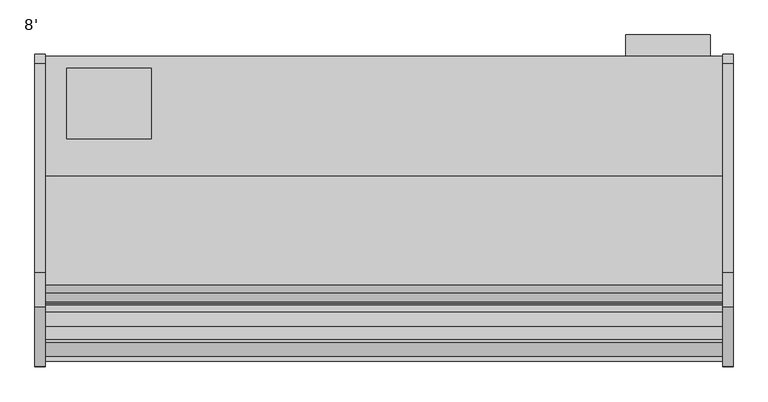
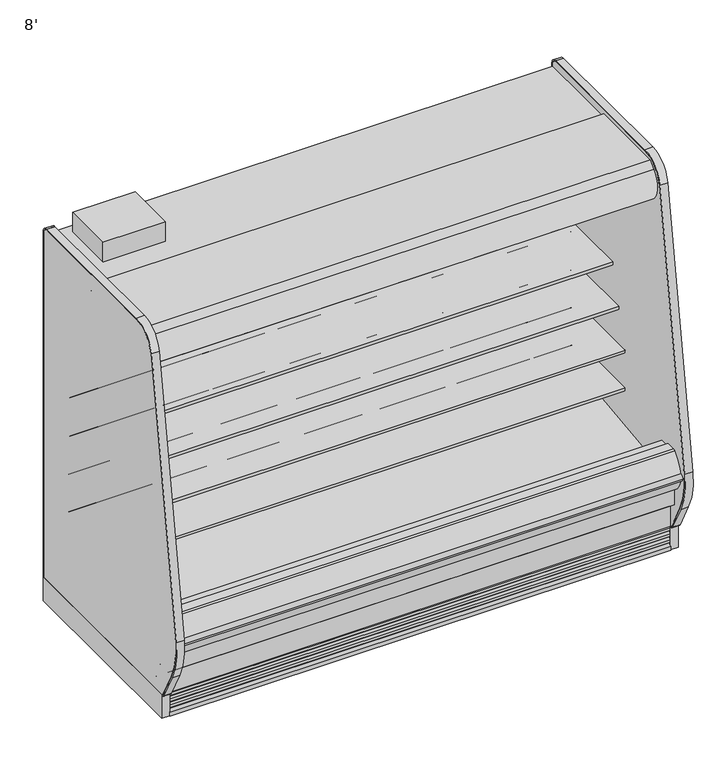
"""IFC4 building model written with IfcOpenShell, lengths in millimetres: proxy geometry, 8'."""

from ifc_helpers import new_model, si_unit, point, frame, frame_2d, origin, origin_with_axes, place, context, project, spatial, polyline, circle_curve, trimmed, segment, composite_curve, outline, extrude, faceted_brep, source, transform, mapped, element, save
from ifc_brep_helpers import plane_surface, revolved_surface, advanced_brep


def proxy_8_c5d549a8(model_context):
    return source(origin(), model_context, "Body", "SolidModel", [
        extrude(outline(polyline([(2393.6493176, -325.3089273), (2393.6493176, -401.5089273), (2089.1920708, -401.5089273), (2089.1920708, -325.3089273), (2393.6493176, -325.3089273)])), frame((0.0, 0.0, 249.9360001), z_axis=(0.0, 0.0, 1.0), x_axis=(1.0, 0.0, 0.0)), (0.0, 0.0, 1.0), 1473.2),
        extrude(outline(polyline([(381.0, -445.9589273), (381.0, -699.9589273), (76.2, -699.9589273), (76.2, -445.9589273), (381.0, -445.9589273)])), frame((0.0, 0.0, 1887.6264001), z_axis=(0.0, 0.0, 1.0), x_axis=(1.0, 0.0, 0.0)), (0.0, 0.0, 1.0), 101.6),
        extrude(outline(composite_curve([segment(trimmed(circle_curve(frame_2d((2190.7390223, -1128.5839273)), 9.525), [point((2181.2140223, -1128.5839273))], [point((2200.2640223, -1128.5839273))], False, "CARTESIAN"), True, "CONTINUOUS"), segment(trimmed(circle_curve(frame_2d((2190.7390223, -1128.5839273)), 9.525), [point((2200.2640223, -1128.5839273))], [point((2181.2140223, -1128.5839273))], False, "CARTESIAN"), True, "CONTINUOUS")], self_intersect=False)), frame((0.0, 0.0, 66.7090149), z_axis=(0.0, 0.0, 1.0), x_axis=(1.0, 0.0, 0.0)), (0.0, 0.0, 1.0), 57.1159851),
        extrude(outline(composite_curve([segment(trimmed(circle_curve(frame_2d((2241.5609777, -1128.5839273)), 12.7), [point((2228.8609777, -1128.5839273))], [point((2254.2609777, -1128.5839273))], False, "CARTESIAN"), True, "CONTINUOUS"), segment(trimmed(circle_curve(frame_2d((2241.5609777, -1128.5839273)), 12.7), [point((2254.2609777, -1128.5839273))], [point((2228.8609777, -1128.5839273))], False, "CARTESIAN"), True, "CONTINUOUS")], self_intersect=False)), frame((0.0, 0.0, 66.7090149), z_axis=(0.0, 0.0, 1.0), x_axis=(1.0, 0.0, 0.0)), (0.0, 0.0, 1.0), 57.1159851),
        extrude(outline(polyline([(-755.1545651, 1783.4415628), (-755.1545651, 1781.6658555), (-767.0608151, 1781.6658555), (-802.7795651, 1757.8533555), (-802.7795651, 1781.6658555), (-823.4170651, 1781.6658555), (-823.4170651, 1723.0879735), (-820.1404345, 1706.9586386), (-821.6961576, 1706.6425977), (-825.0045651, 1722.9283555), (-825.0045651, 1783.4415628), (-755.1545651, 1783.4415628)])), frame((0.0, 0.0, 0.0), z_axis=(1.0, 0.0, 0.0), x_axis=(0.0, 1.0, 0.0)), (0.0, 0.0, 1.0), 2438.4),
        extrude(outline(composite_curve([segment(trimmed(circle_curve(frame_2d((-775.117495, 1753.94528)), 14.2875), [point((-789.404995, 1753.94528))], [point((-760.829995, 1753.94528))], False, "CARTESIAN"), True, "CONTINUOUS"), segment(trimmed(circle_curve(frame_2d((-775.117495, 1753.94528)), 14.2875), [point((-760.829995, 1753.94528))], [point((-789.404995, 1753.94528))], False, "CARTESIAN"), True, "CONTINUOUS")], self_intersect=False)), frame((0.0, 0.0, 0.0), z_axis=(1.0, 0.0, 0.0), x_axis=(0.0, 1.0, 0.0)), (0.0, 0.0, 1.0), 2438.4),
        extrude(outline(composite_curve([segment(polyline([(-504.9331995, 1188.9777893), (-504.9331995, 1113.876763), (-528.313746, 1113.876763)]), True, "CONTINUOUS"), segment(trimmed(circle_curve(frame_2d((-528.7455821, 1139.2730918)), 25.4), [point((-528.313746, 1113.876763))], [point((-544.7229383, 1119.5276091))], False, "CARTESIAN"), True, "CONTINUOUS"), segment(polyline([(-544.7229383, 1119.5276091), (-562.5749995, 1133.9728746)]), True, "CONTINUOUS"), segment(trimmed(circle_curve(frame_2d((-602.5183901, 1084.6091679)), 63.5), [point((-562.5749995, 1133.9728746))], [point((-594.6205089, 1147.6160998))], True, "CARTESIAN"), True, "CONTINUOUS"), segment(polyline([(-594.6205089, 1147.6160998), (-869.1842482, 1171.3132372), (-870.6730247, 1174.7537893), (-911.2738035, 1174.7537893), (-911.2738035, 1188.9777893), (-504.9331995, 1188.9777893)]), True, "CONTINUOUS")], self_intersect=False)), frame((0.0, 0.0, 0.0), z_axis=(1.0, 0.0, 0.0), x_axis=(0.0, 1.0, 0.0)), (0.0, 0.0, 1.0), 2438.4),
        extrude(outline(composite_curve([segment(polyline([(-504.9331995, 990.7659479), (-504.9331995, 915.6649215), (-528.313746, 915.6649215)]), True, "CONTINUOUS"), segment(trimmed(circle_curve(frame_2d((-528.7455821, 941.0612503)), 25.4), [point((-528.313746, 915.6649215))], [point((-544.7229383, 921.3157676))], False, "CARTESIAN"), True, "CONTINUOUS"), segment(polyline([(-544.7229383, 921.3157676), (-562.5749995, 935.7610332)]), True, "CONTINUOUS"), segment(trimmed(circle_curve(frame_2d((-602.5183901, 886.3973264)), 63.5), [point((-562.5749995, 935.7610332))], [point((-594.6205089, 949.4042583))], True, "CARTESIAN"), True, "CONTINUOUS"), segment(polyline([(-594.6205089, 949.4042583), (-869.1842482, 973.1013958), (-870.6730247, 976.5419479), (-962.1331995, 976.5419479), (-962.1331995, 990.7659479), (-504.9331995, 990.7659479)]), True, "CONTINUOUS")], self_intersect=False)), frame((0.0, 0.0, 0.0), z_axis=(1.0, 0.0, 0.0), x_axis=(0.0, 1.0, 0.0)), (0.0, 0.0, 1.0), 2438.4),
        extrude(outline(composite_curve([segment(trimmed(circle_curve(frame_2d((-1161.4667676, 1760.0428978)), 14.2875), [point((-1175.7542676, 1760.0428978))], [point((-1147.1792676, 1760.0428978))], False, "CARTESIAN"), True, "CONTINUOUS"), segment(trimmed(circle_curve(frame_2d((-1161.4667676, 1760.0428978)), 14.2875), [point((-1147.1792676, 1760.0428978))], [point((-1175.7542676, 1760.0428978))], False, "CARTESIAN"), True, "CONTINUOUS")], self_intersect=False)), frame((0.0, 0.0, 0.0), z_axis=(1.0, 0.0, 0.0), x_axis=(0.0, 1.0, 0.0)), (0.0, 0.0, 1.0), 2438.4),
        extrude(outline(composite_curve([segment(trimmed(circle_curve(frame_2d((-1206.5480128, 1760.5691153)), 14.2875), [point((-1220.8355128, 1760.5691153))], [point((-1192.2605128, 1760.5691153))], False, "CARTESIAN"), True, "CONTINUOUS"), segment(trimmed(circle_curve(frame_2d((-1206.5480128, 1760.5691153)), 14.2875), [point((-1192.2605128, 1760.5691153))], [point((-1220.8355128, 1760.5691153))], False, "CARTESIAN"), True, "CONTINUOUS")], self_intersect=False)), frame((0.0, 0.0, 0.0), z_axis=(1.0, 0.0, 0.0), x_axis=(0.0, 1.0, 0.0)), (0.0, 0.0, 1.0), 2438.4),
        extrude(outline(polyline([(744.7751963, -1346.7911816), (435.3523963, -1346.7911816), (435.3523963, -1249.5865659), (744.7751963, -1249.5865659), (744.7751963, -1346.7911816)])), frame((0.0, 0.0, 53.2186364), z_axis=(0.0, 0.0, 1.0), x_axis=(1.0, 0.0, 0.0)), (0.0, 0.0, 1.0), 9.8914),
        faceted_brep([(2438.4, -1207.9589273, 130.175), (2438.4, -1275.0830824, 130.175), (2438.4, -1376.2139578, 211.8249999), (2438.4, -1376.2139578, 10.9768116), (2438.4, -1207.9589273, 10.9768116), (0.0, -1207.9589273, 130.175), (0.0, -1207.9589273, 10.9768116), (0.0, -1376.2139578, 10.9768116), (0.0, -1376.2139578, 211.8249999), (0.0, -1275.0830824, 130.175), (744.7751963, -1346.7911816, 10.9768116), (744.7751963, -1249.5865659, 10.9768116), (435.3523963, -1249.5865659, 10.9768116), (435.3523963, -1346.7911816, 10.9768116), (744.7751963, -1346.7911816, 63.1100364), (435.3523963, -1346.7911816, 63.1100364), (435.3523963, -1249.5865659, 63.1100364), (744.7751963, -1249.5865659, 63.1100364)], [[[0, 1, 2, 3, 4]], [[5, 6, 7, 8, 9]], [[1, 0, 5, 9]], [[2, 1, 9, 8]], [[3, 2, 8, 7]], [[4, 3, 7, 6], [10, 11, 12, 13]], [[0, 4, 6, 5]], [[14, 15, 16, 17]], [[14, 17, 11, 10]], [[17, 16, 12, 11]], [[16, 15, 13, 12]], [[15, 14, 10, 13]]]),
        extrude(outline(composite_curve([segment(trimmed(circle_curve(frame_2d((368.3, 2358.8090336)), 12.7), [point((368.3, 2371.5090336))], [point((368.3, 2346.1090336))], False, "CARTESIAN"), True, "CONTINUOUS"), segment(trimmed(circle_curve(frame_2d((368.3, 2358.8090336)), 12.7), [point((368.3, 2346.1090336))], [point((368.3, 2371.5090336))], False, "CARTESIAN"), True, "CONTINUOUS")], self_intersect=False)), frame((0.0, -447.5561252, 0.0), z_axis=(0.0, 1.0, 0.0), x_axis=(0.0, 0.0, 1.0)), (0.0, 0.0, 1.0), 52.3971979),
        extrude(outline(composite_curve([segment(trimmed(circle_curve(frame_2d((368.3, 2320.3972115)), 9.525), [point((368.3, 2329.9222115))], [point((368.3, 2310.8722115))], False, "CARTESIAN"), True, "CONTINUOUS"), segment(trimmed(circle_curve(frame_2d((368.3, 2320.3972115)), 9.525), [point((368.3, 2310.8722115))], [point((368.3, 2329.9222115))], False, "CARTESIAN"), True, "CONTINUOUS")], self_intersect=False)), frame((0.0, -447.5561252, 0.0), z_axis=(0.0, 1.0, 0.0), x_axis=(0.0, 0.0, 1.0)), (0.0, 0.0, 1.0), 52.3971979),
        extrude(outline(composite_curve([segment(polyline([(-451.7851762, 1837.4360001), (-451.7851762, 404.745884), (-504.9331995, 404.745884), (-504.9331995, 1758.0415628)]), True, "CONTINUOUS"), segment(trimmed(circle_curve(frame_2d((-530.3331995, 1758.0415628)), 25.4), [point((-504.9331995, 1758.0415628))], [point((-530.3331995, 1783.4415628))], True, "CARTESIAN"), True, "CONTINUOUS"), segment(polyline([(-530.3331995, 1783.4415628), (-996.5139611, 1783.4415628), (-996.5139611, 1776.8817932), (-1098.1139599, 1776.8817932), (-1098.1139599, 1837.4360001), (-451.7851762, 1837.4360001)]), True, "CONTINUOUS")], self_intersect=False)), frame((0.0, 0.0, 0.0), z_axis=(1.0, 0.0, 0.0), x_axis=(0.0, 1.0, 0.0)), (0.0, 0.0, 1.0), 2438.4),
        advanced_brep(
        [(2438.4, -1428.7889874, 391.24255), (2438.4, -1428.7889874, 254.2724833), (2438.4, -1275.0830824, 130.175), (2438.4, -401.5089273, 130.175), (2438.4, -401.5089273, 1887.6264001), (2438.4, -1139.2416873, 1887.6264001), (2438.4, -1139.2416873, 1837.4360001), (2438.4, -451.7851762, 1837.4360001), (2438.4, -451.7851762, 363.9695251), (2438.4, -599.5014929, 211.662363), (2438.4, -1043.5931205, 195.6779213), (2438.4, -1096.7050237, 157.095884), (2438.4, -1163.5210307, 157.095884), (2438.4, -1221.5656168, 189.2720563), (2438.4, -1379.2843872, 341.5792153), (2438.4, -1379.2843872, 391.24255), (0.0, -1428.7889874, 391.24255), (0.0, -1379.2843872, 391.24255), (0.0, -1379.2843872, 341.5792153), (0.0, -1221.5656168, 189.2720563), (0.0, -1163.5210307, 157.095884), (0.0, -1096.7050237, 157.095884), (0.0, -1043.5931205, 195.6779213), (0.0, -599.5014929, 211.662363), (0.0, -451.7851762, 363.9695251), (0.0, -451.7851762, 1837.4360001), (0.0, -1139.2416873, 1837.4360001), (0.0, -1139.2416873, 1887.6264001), (0.0, -401.5089273, 1887.6264001), (0.0, -401.5089273, 130.175), (0.0, -1275.0830824, 130.175), (0.0, -1428.7889874, 254.2724833), (2336.8, -401.5089273, 317.5), (2336.8, -401.5089273, 419.1), (2336.8, -447.5561252, 317.5), (2336.8, -447.5561252, 419.1)],
        [
            (0, 1),
            (1, 2),
            (2, 3),
            (3, 4),
            (4, 5),
            (5, 6),
            (6, 7),
            (7, 8),
            (8, 9, circle_curve(frame((2438.4, -605.0132276, 364.7934683), z_axis=(-1.0, 0.0, 0.0), x_axis=(0.0, 1.0, 0.0)), 153.2302667)),
            (9, 10),
            (10, 11),
            (11, 12),
            (12, 13),
            (13, 14, circle_curve(frame((2438.4, -1226.8843872, 341.5792153), z_axis=(-1.0, 0.0, 0.0), x_axis=(0.0, 1.0, 0.0)), 152.4)),
            (14, 15),
            (15, 0),
            (16, 17),
            (17, 18),
            (18, 19, circle_curve(frame((0.0, -1226.8843872, 341.5792153), z_axis=(1.0, 0.0, 0.0), x_axis=(0.0, 1.0, 0.0)), 152.4)),
            (19, 20),
            (20, 21),
            (21, 22),
            (22, 23),
            (23, 24, circle_curve(frame((0.0, -605.0132276, 364.7934683), z_axis=(1.0, 0.0, 0.0), x_axis=(0.0, 1.0, 0.0)), 153.2302667)),
            (24, 25),
            (25, 26),
            (26, 27),
            (27, 28),
            (28, 29),
            (29, 30),
            (30, 31),
            (31, 16),
            (0, 16),
            (31, 1),
            (30, 2),
            (29, 3),
            (28, 4),
            (32, 33, circle_curve(frame((2336.8, -401.5089273, 368.3), z_axis=(0.0, -1.0, 0.0), x_axis=(0.0, 0.0, 1.0)), 50.8)),
            (33, 32, circle_curve(frame((2336.8, -401.5089273, 368.3), z_axis=(0.0, -1.0, 0.0), x_axis=(0.0, 0.0, 1.0)), 50.8)),
            (27, 5),
            (26, 6),
            (25, 7),
            (24, 8),
            (23, 9),
            (22, 10),
            (21, 11),
            (20, 12),
            (19, 13),
            (18, 14),
            (17, 15),
            (34, 35, circle_curve(frame((2336.8, -447.5561252, 368.3), z_axis=(0.0, 1.0, 0.0), x_axis=(0.0, 0.0, 1.0)), 50.8)),
            (35, 34, circle_curve(frame((2336.8, -447.5561252, 368.3), z_axis=(0.0, 1.0, 0.0), x_axis=(0.0, 0.0, 1.0)), 50.8)),
            (35, 33),
            (32, 34),
        ],
        [
            plane_surface(frame((2438.4, -1428.7889874, 254.2724833), z_axis=(1.0, 0.0, 0.0), x_axis=(0.0, 0.0, -1.0))),
            plane_surface(frame((0.0, -1428.7889874, 254.2724833), z_axis=(-1.0, 0.0, 0.0), x_axis=(0.0, 0.0, 1.0))),
            plane_surface(frame((2438.4, -1428.7889874, 391.24255), z_axis=(0.0, -1.0, 0.0), x_axis=(-1.0, 0.0, 0.0))),
            plane_surface(frame((2438.4, -1428.7889874, 254.2724833), z_axis=(0.0, -0.6281851642637378, -0.7780638787393622), x_axis=(-1.0, 0.0, 0.0))),
            plane_surface(frame((2438.4, -1275.0830824, 130.175), z_axis=(0.0, 0.0, -1.0), x_axis=(-1.0, 0.0, 0.0))),
            plane_surface(frame((2438.4, -401.5089273, 130.175), z_axis=(0.0, 1.0, 0.0), x_axis=(-1.0, 0.0, 0.0))),
            plane_surface(frame((2438.4, -401.5089273, 1887.6264001), z_axis=(0.0, 0.0, 1.0), x_axis=(-1.0, 0.0, 0.0))),
            plane_surface(frame((2438.4, -1139.2416873, 1887.6264001), z_axis=(0.0, -1.0, 0.0), x_axis=(-1.0, 0.0, 0.0))),
            plane_surface(frame((2438.4, -1139.2416873, 1837.4360001), z_axis=(0.0, 0.0, -1.0), x_axis=(-1.0, 0.0, 0.0))),
            plane_surface(frame((2438.4, -451.7851762, 1837.4360001), z_axis=(0.0, -1.0, 0.0), x_axis=(-1.0, 0.0, 0.0))),
            revolved_surface(polyline([(0.0, -451.78296090000003, 364.7934683), (2438.4, -451.78296090000003, 364.7934683)]), (0.0, -605.0132276, 364.7934683), (-1.0, 0.0, 0.0)),
            plane_surface(frame((2438.4, -599.5014929, 211.662363), z_axis=(0.0, -0.035970274152171335, 0.9993528602938092), x_axis=(-1.0, 0.0, 0.0))),
            plane_surface(frame((2438.4, -1043.5931205, 195.6779213), z_axis=(0.0, -0.5877252382160976, 0.8090605937529224), x_axis=(-1.0, 0.0, 0.0))),
            plane_surface(frame((2438.4, -1096.7050237, 157.095884), z_axis=(0.0, 0.0, 1.0), x_axis=(-1.0, 0.0, 0.0))),
            plane_surface(frame((2438.4, -1163.5210307, 157.095884), z_axis=(0.0, 0.48482728759131516, 0.8746099137368889), x_axis=(-1.0, 0.0, 0.0))),
            revolved_surface(polyline([(0.0, -1074.4843872, 341.5792153), (2438.4, -1074.4843872, 341.5792153)]), (0.0, -1226.8843872, 341.5792153), (-1.0, 0.0, 0.0)),
            plane_surface(frame((2438.4, -1379.2843872, 341.5792153), z_axis=(0.0, 1.0, 0.0), x_axis=(-1.0, 0.0, 0.0))),
            plane_surface(frame((2438.4, -1379.2843872, 391.24255), z_axis=(0.0, 0.0, 1.0), x_axis=(-1.0, 0.0, 0.0))),
            plane_surface(frame((2336.8, -447.5561252, 419.1), z_axis=(0.0, 1.0, 0.0), x_axis=(-1.0, 0.0, 0.0))),
            revolved_surface(polyline([(2336.8, -447.5561252, 419.1), (2336.8, -401.5089273, 419.1)]), (2336.8, -401.5089273, 368.3), (0.0, -1.0, 0.0)),
        ],
        [
            (0, [[1, 2, 3, 4, 5, 6, 7, 8, 9, 10, 11, 12, 13, 14, 15, 16]]),
            (1, [[17, 18, 19, 20, 21, 22, 23, 24, 25, 26, 27, 28, 29, 30, 31, 32]]),
            (2, [[-1, 33, -32, 34]]),
            (3, [[-2, -34, -31, 35]]),
            (4, [[-3, -35, -30, 36]]),
            (5, [[-4, -36, -29, 37], [38, 39]]),
            (6, [[-5, -37, -28, 40]]),
            (7, [[-6, -40, -27, 41]]),
            (8, [[-7, -41, -26, 42]]),
            (9, [[-8, -42, -25, 43]]),
            (10, [[-9, -43, -24, 44]]),
            (11, [[-10, -44, -23, 45]]),
            (12, [[-11, -45, -22, 46]]),
            (13, [[-12, -46, -21, 47]]),
            (14, [[-13, -47, -20, 48]]),
            (15, [[-14, -48, -19, 49]]),
            (16, [[-15, -49, -18, 50]]),
            (17, [[-16, -50, -17, -33]]),
            (18, [[51, 52]]),
            (19, [[-52, 53, -38, 54]]),
            (19, [[-51, -54, -39, -53]]),
        ],
    ),
        extrude(outline(composite_curve([segment(polyline([(-1324.3309113, 373.0751999), (-1297.0132113, 373.0751999), (-1291.5716401, 375.0168392), (-610.6406734, 456.5929299), (-610.1926758, 450.1862651), (-516.7472923, 456.7206028)]), True, "CONTINUOUS"), segment(trimmed(circle_curve(frame_2d((-517.6331995, 469.3896663)), 12.7), [point((-516.7472923, 456.7206028))], [point((-504.9331995, 469.3896663))], True, "CARTESIAN"), True, "CONTINUOUS"), segment(polyline([(-504.9331995, 469.3896663), (-504.9331995, 404.745884), (-451.7851762, 404.745884), (-451.7851762, 363.9695251)]), True, "CONTINUOUS"), segment(trimmed(circle_curve(frame_2d((-605.0132276, 364.7934683)), 153.2302667), [point((-451.7851762, 363.9695251))], [point((-599.5014929, 211.662363))], False, "CARTESIAN"), True, "CONTINUOUS"), segment(polyline([(-599.5014929, 211.662363), (-1043.5931205, 195.6779213), (-1096.7050237, 157.095884), (-1163.5210307, 157.095884), (-1221.5656168, 189.2720563)]), True, "CONTINUOUS"), segment(trimmed(circle_curve(frame_2d((-1226.8843872, 341.5792153)), 152.4), [point((-1221.5656168, 189.2720563))], [point((-1379.2843872, 341.5792153))], False, "CARTESIAN"), True, "CONTINUOUS"), segment(polyline([(-1379.2843872, 341.5792153), (-1379.2843872, 521.2079999), (-1324.3309113, 521.2079999), (-1324.3309113, 373.0751999)]), True, "CONTINUOUS")], self_intersect=False)), frame((0.0, 0.0, 0.0), z_axis=(1.0, 0.0, 0.0), x_axis=(0.0, 1.0, 0.0)), (0.0, 0.0, 1.0), 2438.4),
        extrude(outline(composite_curve([segment(trimmed(circle_curve(frame_2d((1219.2, -1128.5839273)), 38.1), [point((1181.1, -1128.5839273))], [point((1257.3, -1128.5839273))], False, "CARTESIAN"), True, "CONTINUOUS"), segment(trimmed(circle_curve(frame_2d((1219.2, -1128.5839273)), 38.1), [point((1257.3, -1128.5839273))], [point((1181.1, -1128.5839273))], False, "CARTESIAN"), True, "CONTINUOUS")], self_intersect=False)), frame((0.0, 0.0, 66.7090149), z_axis=(0.0, 0.0, 1.0), x_axis=(1.0, 0.0, 0.0)), (0.0, 0.0, 1.0), 57.1159851),
        advanced_brep(
        [(2438.4, -401.5089273, 0.0), (2438.4, -401.5089273, 130.175), (2438.4, -1207.9589273, 130.175), (2438.4, -1207.9589273, 0.0), (2438.4, -1161.1594273, 0.0), (2438.4, -1161.1594273, 74.8810382), (2438.4, -446.7209273, 74.8810382), (2438.4, -446.7209273, 0.0), (0.0, -401.5089273, 0.0), (0.0, -446.7209273, 0.0), (0.0, -446.7209273, 74.8810382), (0.0, -1161.1594273, 74.8810382), (0.0, -1161.1594273, 0.0), (0.0, -1207.9589273, 0.0), (0.0, -1207.9589273, 130.175), (0.0, -401.5089273, 130.175), (1180.2195331, -1161.1594273, 0.0), (1258.1804669, -1161.1594273, 0.0), (2177.1695331, -1161.1594273, 0.0), (2255.1304669, -1161.1594273, 0.0), (2255.1304669, -1161.1594273, 74.8810382), (1180.2195331, -1161.1594273, 74.8810382), (1258.1804669, -1161.1594273, 74.8810382), (2177.1695331, -1161.1594273, 74.8810382), (2266.95, -1128.5839273, 74.8810382), (2165.35, -1128.5839273, 74.8810382), (1270.0, -1128.5839273, 74.8810382), (1168.4, -1128.5839273, 74.8810382), (1168.4, -1128.5839273, 123.825), (1270.0, -1128.5839273, 123.825), (2165.35, -1128.5839273, 123.825), (2266.95, -1128.5839273, 123.825)],
        [
            (0, 1),
            (1, 2),
            (2, 3),
            (3, 4),
            (4, 5),
            (5, 6),
            (6, 7),
            (7, 0),
            (8, 9),
            (9, 10),
            (10, 11),
            (11, 12),
            (12, 13),
            (13, 14),
            (14, 15),
            (15, 8),
            (0, 8),
            (15, 1),
            (14, 2),
            (13, 3),
            (12, 16),
            (16, 17, circle_curve(frame((1219.2, -1128.5839273, 0.0), z_axis=(0.0, 0.0, 1.0), x_axis=(1.0, 0.0, 0.0)), 50.8)),
            (17, 18),
            (18, 19, circle_curve(frame((2216.15, -1128.5839273, 0.0), z_axis=(0.0, 0.0, 1.0), x_axis=(1.0, 0.0, 0.0)), 50.8)),
            (19, 4),
            (19, 20),
            (20, 5),
            (11, 21),
            (21, 16),
            (17, 22),
            (22, 23),
            (23, 18),
            (20, 24, circle_curve(frame((2216.15, -1128.5839273, 74.8810382), z_axis=(0.0, 0.0, 1.0), x_axis=(1.0, 0.0, 0.0)), 50.8)),
            (24, 25, circle_curve(frame((2216.15, -1128.5839273, 74.8810382), z_axis=(0.0, 0.0, 1.0), x_axis=(1.0, 0.0, 0.0)), 50.8)),
            (25, 23, circle_curve(frame((2216.15, -1128.5839273, 74.8810382), z_axis=(0.0, 0.0, 1.0), x_axis=(1.0, 0.0, 0.0)), 50.8)),
            (22, 26, circle_curve(frame((1219.2, -1128.5839273, 74.8810382), z_axis=(0.0, 0.0, 1.0), x_axis=(1.0, 0.0, 0.0)), 50.8)),
            (26, 27, circle_curve(frame((1219.2, -1128.5839273, 74.8810382), z_axis=(0.0, 0.0, 1.0), x_axis=(1.0, 0.0, 0.0)), 50.8)),
            (27, 21, circle_curve(frame((1219.2, -1128.5839273, 74.8810382), z_axis=(0.0, 0.0, 1.0), x_axis=(1.0, 0.0, 0.0)), 50.8)),
            (10, 6),
            (9, 7),
            (28, 29, circle_curve(frame((1219.2, -1128.5839273, 123.825), z_axis=(0.0, 0.0, -1.0), x_axis=(1.0, 0.0, 0.0)), 50.8)),
            (29, 28, circle_curve(frame((1219.2, -1128.5839273, 123.825), z_axis=(0.0, 0.0, -1.0), x_axis=(1.0, 0.0, 0.0)), 50.8)),
            (29, 26),
            (27, 28),
            (30, 31, circle_curve(frame((2216.15, -1128.5839273, 123.825), z_axis=(0.0, 0.0, -1.0), x_axis=(1.0, 0.0, 0.0)), 50.8)),
            (31, 30, circle_curve(frame((2216.15, -1128.5839273, 123.825), z_axis=(0.0, 0.0, -1.0), x_axis=(1.0, 0.0, 0.0)), 50.8)),
            (31, 24),
            (25, 30),
        ],
        [
            plane_surface(frame((2438.4, -401.5089273, 1893.5715584), z_axis=(1.0, 0.0, 0.0), x_axis=(0.0, 0.0, 1.0))),
            plane_surface(frame((0.0, -401.5089273, 1893.5715584), z_axis=(-1.0, 0.0, 0.0), x_axis=(0.0, 0.0, -1.0))),
            plane_surface(frame((2438.4, -401.5089273, 0.0), z_axis=(0.0, 1.0, 0.0), x_axis=(-1.0, 0.0, 0.0))),
            plane_surface(frame((2438.4, -401.5089273, 130.175), z_axis=(0.0, 0.0, 1.0), x_axis=(-1.0, 0.0, 0.0))),
            plane_surface(frame((2438.4, -1207.9589273, 130.175), z_axis=(0.0, -1.0, 0.0), x_axis=(-1.0, 0.0, 0.0))),
            plane_surface(frame((2438.4, -1207.9589273, 0.0), z_axis=(0.0, 0.0, -1.0), x_axis=(-1.0, 0.0, 0.0))),
            plane_surface(frame((2438.4, -1161.1594273, 0.0), z_axis=(0.0, 1.0, 0.0), x_axis=(-1.0, 0.0, 0.0))),
            plane_surface(frame((2438.4, -1161.1594273, 74.8810382), z_axis=(0.0, 0.0, -1.0), x_axis=(-1.0, 0.0, 0.0))),
            plane_surface(frame((2438.4, -446.7209273, 74.8810382), z_axis=(0.0, -1.0, 0.0), x_axis=(-1.0, 0.0, 0.0))),
            plane_surface(frame((2438.4, -446.7209273, 0.0), z_axis=(0.0, 0.0, -1.0), x_axis=(-1.0, 0.0, 0.0))),
            plane_surface(frame((1270.0, -1128.5839273, 123.825), z_axis=(0.0, 0.0, -1.0), x_axis=(0.0, 1.0, 0.0))),
            revolved_surface(polyline([(1270.0, -1128.5839273, 123.825), (1270.0, -1128.5839273, 0.0)]), (1219.2, -1128.5839273, 0.0), (0.0, 0.0, 1.0)),
            revolved_surface(polyline([(1270.0, -1128.5839273, 123.825), (1270.0, -1128.5839273, 74.8810382)]), (1219.2, -1128.5839273, 0.0), (0.0, 0.0, 1.0)),
            plane_surface(frame((2266.95, -1128.5839273, 123.825), z_axis=(0.0, 0.0, -1.0), x_axis=(0.0, 1.0, 0.0))),
            revolved_surface(polyline([(2266.9500000000003, -1128.5839273, 123.825), (2266.9500000000003, -1128.5839273, 0.0)]), (2216.15, -1128.5839273, 0.0), (0.0, 0.0, 1.0)),
            revolved_surface(polyline([(2266.9500000000003, -1128.5839273, 123.825), (2266.9500000000003, -1128.5839273, 74.8810382)]), (2216.15, -1128.5839273, 0.0), (0.0, 0.0, 1.0)),
        ],
        [
            (0, [[1, 2, 3, 4, 5, 6, 7, 8]]),
            (1, [[9, 10, 11, 12, 13, 14, 15, 16]]),
            (2, [[-1, 17, -16, 18]]),
            (3, [[-2, -18, -15, 19]]),
            (4, [[-3, -19, -14, 20]]),
            (5, [[-4, -20, -13, 21, 22, 23, 24, 25]]),
            (6, [[-5, -25, 26, 27]]),
            (6, [[-12, 28, 29, -21]]),
            (6, [[30, 31, 32, -23]]),
            (7, [[-6, -27, 33, 34, 35, -31, 36, 37, 38, -28, -11, 39]]),
            (8, [[-7, -39, -10, 40]]),
            (9, [[-8, -40, -9, -17]]),
            (10, [[41, 42]]),
            (11, [[-42, 43, -36, -30, -22, -29, -38, 44]]),
            (12, [[-41, -44, -37, -43]]),
            (13, [[45, 46]]),
            (14, [[-46, 47, -33, -26, -24, -32, -35, 48]]),
            (15, [[-45, -48, -34, -47]]),
        ],
    ),
        extrude(outline(polyline([(2438.4, -996.5139611), (2438.4, -1098.1139599), (0.0, -1098.1139599), (0.0, -996.5139611), (2438.4, -996.5139611)])), frame((0.0, 0.0, 1751.481792), z_axis=(0.0, 0.0, 1.0), x_axis=(1.0, 0.0, 0.0)), (0.0, 0.0, 1.0), 25.4000011),
        extrude(outline(composite_curve([segment(polyline([(-834.1197918, 1887.6264001), (-1139.2416873, 1887.6264001), (-1139.2416873, 1837.4360001), (-1098.1139599, 1837.4360001), (-1098.1139599, 1751.481792), (-1102.0441706, 1751.481792), (-1145.2982964, 1778.3902586), (-1229.1846298, 1778.3902586), (-1234.6028577, 1749.0156271), (-1242.6978272, 1742.4581239), (-1244.4566599, 1736.6057625), (-1247.8744356, 1731.2734097)]), True, "CONTINUOUS"), segment(trimmed(circle_curve(frame_2d((-1254.9813118, 1735.8285676)), 8.4413951), [point((-1247.8744356, 1731.2734097))], [point((-1261.3923737, 1730.337171))], False, "CARTESIAN"), True, "CONTINUOUS"), segment(trimmed(circle_curve(frame_2d((-1181.3177231, 1798.9251311)), 105.4336661), [point((-1261.3923737, 1730.337171))], [point((-1254.3783459, 1874.9409409))], False, "CARTESIAN"), True, "CONTINUOUS"), segment(trimmed(circle_curve(frame_2d((-1689.0901415, 2329.2650658)), 628.7962752), [point((-1254.3783459, 1874.9409409))], [point((-1224.995421, 1905.0))], True, "CARTESIAN"), True, "CONTINUOUS"), segment(polyline([(-1224.995421, 1905.0), (-834.1197918, 1905.0), (-834.1197918, 1887.6264001)]), True, "CONTINUOUS")], self_intersect=False)), frame((0.0, 0.0, 0.0), z_axis=(1.0, 0.0, 0.0), x_axis=(0.0, 1.0, 0.0)), (0.0, 0.0, 1.0), 2438.4),
        extrude(outline(polyline([(-524.5538195, 1504.4404382), (-699.0292362, 1749.045951), (-692.6360518, 1751.0180598), (-519.384186, 1508.127902), (-524.5538195, 1504.4404382)])), frame((0.0, 0.0, 0.0), z_axis=(1.0, 0.0, 0.0), x_axis=(0.0, 1.0, 0.0)), (0.0, 0.0, 1.0), 2438.4),
        extrude(outline(composite_curve([segment(polyline([(-504.9331995, 1528.8244166), (-504.9331995, 1490.7251669)]), True, "CONTINUOUS"), segment(trimmed(circle_curve(frame_2d((-507.7906995, 1490.7251669)), 2.8575), [point((-504.9331995, 1490.7251669))], [point((-506.6741853, 1488.0948242))], False, "CARTESIAN"), True, "CONTINUOUS"), segment(polyline([(-506.6741853, 1488.0948242), (-515.7704668, 1484.2336819)]), True, "CONTINUOUS"), segment(trimmed(circle_curve(frame_2d((-516.8869809, 1486.8640245)), 2.8575), [point((-515.7704668, 1484.2336819))], [point((-519.4330321, 1485.5667466))], False, "CARTESIAN"), True, "CONTINUOUS"), segment(polyline([(-519.4330321, 1485.5667466), (-527.3608411, 1501.125948)]), True, "CONTINUOUS"), segment(trimmed(circle_curve(frame_2d((-526.2292629, 1501.7025159)), 1.27), [point((-527.3608411, 1501.125948))], [point((-526.8058308, 1502.8340942))], False, "CARTESIAN"), True, "CONTINUOUS"), segment(polyline([(-526.8058308, 1502.8340942), (-519.384186, 1508.127902), (-507.5996446, 1491.6065843), (-506.2031995, 1490.7251669), (-506.2031995, 1528.8244166), (-504.9331995, 1528.8244166)]), True, "CONTINUOUS")], self_intersect=False)), frame((0.0, 0.0, 0.0), z_axis=(1.0, 0.0, 0.0), x_axis=(0.0, 1.0, 0.0)), (0.0, 0.0, 1.0), 2438.4),
        extrude(outline(composite_curve([segment(polyline([(-697.0188534, 1757.162521), (-692.6360518, 1751.0180598), (-701.6311946, 1748.2433237)]), True, "CONTINUOUS"), segment(trimmed(circle_curve(frame_2d((-702.2914708, 1750.3838079)), 2.2400083), [point((-701.6311946, 1748.2433237))], [point((-703.4764456, 1748.4828943))], False, "CARTESIAN"), True, "CONTINUOUS"), segment(polyline([(-703.4764456, 1748.4828943), (-727.5060675, 1782.1711818), (-743.3810675, 1782.1711818), (-743.3810675, 1783.4411818), (-727.5060675, 1783.4411818)]), True, "CONTINUOUS"), segment(trimmed(circle_curve(frame_2d((-727.5060675, 1782.1711818)), 1.27), [point((-727.5060675, 1783.4411818))], [point((-726.4721408, 1782.9086746))], False, "CARTESIAN"), True, "CONTINUOUS"), segment(polyline([(-726.4721408, 1782.9086746), (-714.3244423, 1765.8782294), (-704.636549, 1772.7885365)]), True, "CONTINUOUS"), segment(trimmed(circle_curve(frame_2d((-703.8990563, 1771.7546097)), 1.27), [point((-704.636549, 1772.7885365))], [point((-702.8651296, 1772.4921025))], False, "CARTESIAN"), True, "CONTINUOUS"), segment(polyline([(-702.8651296, 1772.4921025), (-693.6464701, 1759.5680186), (-697.0188534, 1757.162521)]), True, "CONTINUOUS")], self_intersect=False)), frame((0.0, 0.0, 0.0), z_axis=(1.0, 0.0, 0.0), x_axis=(0.0, 1.0, 0.0)), (0.0, 0.0, 1.0), 2438.4),
        extrude(outline(composite_curve([segment(polyline([(-504.9331995, 603.1377781), (-504.9331995, 528.0367518), (-528.313746, 528.0367518)]), True, "CONTINUOUS"), segment(trimmed(circle_curve(frame_2d((-528.7455821, 553.4330806)), 25.4), [point((-528.313746, 528.0367518))], [point((-544.7229383, 533.6875979))], False, "CARTESIAN"), True, "CONTINUOUS"), segment(polyline([(-544.7229383, 533.6875979), (-562.5749995, 548.1328634)]), True, "CONTINUOUS"), segment(trimmed(circle_curve(frame_2d((-602.5183901, 498.7691567)), 63.5), [point((-562.5749995, 548.1328634))], [point((-594.6205089, 561.7760886))], True, "CARTESIAN"), True, "CONTINUOUS"), segment(polyline([(-594.6205089, 561.7760886), (-869.1842482, 585.473226), (-870.6730247, 588.9137781), (-1012.9331995, 588.9137781), (-1012.9331995, 603.1377781), (-504.9331995, 603.1377781)]), True, "CONTINUOUS")], self_intersect=False)), frame((0.0, 0.0, 0.0), z_axis=(1.0, 0.0, 0.0), x_axis=(0.0, 1.0, 0.0)), (0.0, 0.0, 1.0), 2438.4),
        extrude(outline(composite_curve([segment(polyline([(-504.9331995, 796.951863), (-504.9331995, 721.8508366), (-528.313746, 721.8508366)]), True, "CONTINUOUS"), segment(trimmed(circle_curve(frame_2d((-528.7455821, 747.2471655)), 25.4), [point((-528.313746, 721.8508366))], [point((-544.7229383, 727.5016828))], False, "CARTESIAN"), True, "CONTINUOUS"), segment(polyline([(-544.7229383, 727.5016828), (-562.5749995, 741.9469483)]), True, "CONTINUOUS"), segment(trimmed(circle_curve(frame_2d((-602.5183901, 692.5832415)), 63.5), [point((-562.5749995, 741.9469483))], [point((-594.6205089, 755.5901735))], True, "CARTESIAN"), True, "CONTINUOUS"), segment(polyline([(-594.6205089, 755.5901735), (-869.1842482, 779.2873109), (-870.6730247, 782.727863), (-1012.9331995, 782.727863), (-1012.9331995, 796.951863), (-504.9331995, 796.951863)]), True, "CONTINUOUS")], self_intersect=False)), frame((0.0, 0.0, 0.0), z_axis=(1.0, 0.0, 0.0), x_axis=(0.0, 1.0, 0.0)), (0.0, 0.0, 1.0), 2438.4),
        extrude(outline(composite_curve([segment(trimmed(circle_curve(frame_2d((-1483.1743585, 428.625)), 17.2640772), [point((-1500.4384357, 428.625))], [point((-1465.9102813, 428.625))], False, "CARTESIAN"), True, "CONTINUOUS"), segment(trimmed(circle_curve(frame_2d((-1483.1743585, 428.625)), 17.2640772), [point((-1465.9102813, 428.625))], [point((-1500.4384357, 428.625))], False, "CARTESIAN"), True, "CONTINUOUS")], self_intersect=False)), frame((0.0, 0.0, 0.0), z_axis=(1.0, 0.0, 0.0), x_axis=(0.0, 1.0, 0.0)), (0.0, 0.0, 1.0), 2438.4),
        extrude(outline(composite_curve([segment(polyline([(-1375.5997913, 521.2079999), (-1379.2843872, 521.2079999), (-1379.2843872, 391.24255), (-1428.7889874, 391.24255), (-1428.7889874, 350.0194213), (-1453.2591168, 350.0194213)]), True, "CONTINUOUS"), segment(trimmed(circle_curve(frame_2d((-1358.032609, 434.0486555)), 126.9999999), [point((-1453.2591168, 350.0194213))], [point((-1482.9898477, 411.3619088))], False, "CARTESIAN"), True, "CONTINUOUS"), segment(trimmed(circle_curve(frame_2d((-1483.1743585, 428.625)), 17.2640772), [point((-1482.9898477, 411.3619088))], [point((-1465.9102813, 428.625))], True, "CARTESIAN"), True, "CONTINUOUS"), segment(trimmed(circle_curve(frame_2d((-1483.1743585, 428.625)), 17.2640772), [point((-1465.9102813, 428.625))], [point((-1483.4541442, 445.8868099))], True, "CARTESIAN"), True, "CONTINUOUS"), segment(trimmed(circle_curve(frame_2d((-1311.1712796, 402.089233)), 177.7628003), [point((-1483.4541442, 445.8868099))], [point((-1431.9539384, 532.5160803))], False, "CARTESIAN"), True, "CONTINUOUS"), segment(trimmed(circle_curve(frame_2d((-1421.0971419, 520.7923962)), 15.9785731), [point((-1431.9539384, 532.5160803))], [point((-1421.1927913, 536.770683))], False, "CARTESIAN"), True, "CONTINUOUS"), segment(polyline([(-1421.1927913, 536.770683), (-1375.5997913, 536.770683), (-1375.5997913, 521.2079999)]), True, "CONTINUOUS")], self_intersect=False)), frame((0.0, 0.0, 0.0), z_axis=(1.0, 0.0, 0.0), x_axis=(0.0, 1.0, 0.0)), (0.0, 0.0, 1.0), 2438.4),
        extrude(outline(composite_curve([segment(polyline([(-1398.4856252, 0.0), (-1398.4856252, 21.4794805)]), True, "CONTINUOUS"), segment(trimmed(circle_curve(frame_2d((-1397.9498016, 35.1748572)), 13.7058546), [point((-1398.4856252, 21.4794805))], [point((-1384.8678223, 31.0867934))], True, "CARTESIAN"), True, "CONTINUOUS"), segment(polyline([(-1384.8678223, 31.0867934), (-1381.3787252, 42.2520535), (-1392.0159205, 40.0942307), (-1394.0098205, 40.0942307), (-1394.0098205, 52.7942307)]), True, "CONTINUOUS"), segment(trimmed(circle_curve(frame_2d((-1398.4276882, 66.2963779)), 14.2065314), [point((-1394.0098205, 52.7942307))], [point((-1384.8678223, 62.0589765))], True, "CARTESIAN"), True, "CONTINUOUS"), segment(polyline([(-1384.8678223, 62.0589765), (-1381.3787252, 73.2242366), (-1392.0159205, 71.0664138), (-1394.0098205, 71.0664138), (-1394.0098205, 83.7664138)]), True, "CONTINUOUS"), segment(trimmed(circle_curve(frame_2d((-1398.5000636, 97.3399774)), 14.2969897), [point((-1394.0098205, 83.7664138))], [point((-1384.8678223, 93.0311596))], True, "CARTESIAN"), True, "CONTINUOUS"), segment(polyline([(-1384.8678223, 93.0311596), (-1381.3787252, 104.0699677), (-1392.0159205, 102.0387838), (-1394.0098205, 102.0387838), (-1394.0098205, 114.7387838)]), True, "CONTINUOUS"), segment(trimmed(circle_curve(frame_2d((-1393.4120559, 125.7034438)), 10.9809422), [point((-1394.0098205, 114.7387838))], [point((-1385.6263217, 117.9598377))], True, "CARTESIAN"), True, "CONTINUOUS"), segment(polyline([(-1385.6263217, 117.9598377), (-1385.6263217, 121.5911682), (-1396.0752794, 121.5911682), (-1396.0752794, 227.8604282), (-1376.2139578, 211.8249999), (-1376.2139578, 0.0), (-1398.4856252, 0.0)]), True, "CONTINUOUS")], self_intersect=False)), frame((0.0, 0.0, 0.0), z_axis=(1.0, 0.0, 0.0), x_axis=(0.0, 1.0, 0.0)), (0.0, 0.0, 1.0), 2438.4),
        extrude(outline(composite_curve([segment(polyline([(-401.5089273, 123.825), (-1398.1411098, 123.825)]), True, "CONTINUOUS"), segment(trimmed(circle_curve(frame_2d((-1398.1411098, 131.2778251)), 7.4528251), [point((-1398.1411098, 123.825))], [point((-1404.7404092, 127.8146114))], False, "CARTESIAN"), True, "CONTINUOUS"), segment(polyline([(-1404.7404092, 127.8146114), (-1476.0320497, 263.6638308)]), True, "CONTINUOUS"), segment(trimmed(circle_curve(frame_2d((-1178.0250273, 420.0534632)), 336.55), [point((-1476.0320497, 263.6638308))], [point((-1511.8709177, 462.6307339))], False, "CARTESIAN"), True, "CONTINUOUS"), segment(polyline([(-1511.8709177, 462.6307339), (-1300.2300649, 1822.743035)]), True, "CONTINUOUS"), segment(trimmed(circle_curve(frame_2d((-1181.014716, 1804.19248)), 120.65), [point((-1300.2300649, 1822.743035))], [point((-1181.014716, 1924.84248))], False, "CARTESIAN"), True, "CONTINUOUS"), segment(polyline([(-1181.014716, 1924.84248), (-426.9089273, 1924.84248)]), True, "CONTINUOUS"), segment(trimmed(circle_curve(frame_2d((-426.9089273, 1899.44248)), 25.4), [point((-426.9089273, 1924.84248))], [point((-401.5089273, 1899.44248))], False, "CARTESIAN"), True, "CONTINUOUS"), segment(polyline([(-401.5089273, 1899.44248), (-401.5089273, 123.825)]), True, "CONTINUOUS")], self_intersect=False)), frame((2438.4, 0.0, 0.0), z_axis=(1.0, 0.0, 0.0), x_axis=(0.0, 1.0, 0.0)), (0.0, 0.0, 1.0), 38.1),
        extrude(outline(composite_curve([segment(polyline([(-401.5089273, 123.825), (-401.5089273, 1899.44248)]), True, "CONTINUOUS"), segment(trimmed(circle_curve(frame_2d((-426.9089273, 1899.44248)), 25.4), [point((-401.5089273, 1899.44248))], [point((-426.9089273, 1924.84248))], True, "CARTESIAN"), True, "CONTINUOUS"), segment(polyline([(-426.9089273, 1924.84248), (-1181.014716, 1924.84248)]), True, "CONTINUOUS"), segment(trimmed(circle_curve(frame_2d((-1181.014716, 1804.19248)), 120.65), [point((-1181.014716, 1924.84248))], [point((-1300.2300649, 1822.743035))], True, "CARTESIAN"), True, "CONTINUOUS"), segment(polyline([(-1300.2300649, 1822.743035), (-1511.8709177, 462.6307339)]), True, "CONTINUOUS"), segment(trimmed(circle_curve(frame_2d((-1178.0250273, 420.0534632)), 336.55), [point((-1511.8709177, 462.6307339))], [point((-1476.0320497, 263.6638308))], True, "CARTESIAN"), True, "CONTINUOUS"), segment(polyline([(-1476.0320497, 263.6638308), (-1404.7404092, 127.8146114)]), True, "CONTINUOUS"), segment(trimmed(circle_curve(frame_2d((-1398.1411098, 131.2778251)), 7.4528251), [point((-1404.7404092, 127.8146114))], [point((-1398.1411098, 123.825))], True, "CARTESIAN"), True, "CONTINUOUS"), segment(polyline([(-1398.1411098, 123.825), (-1398.1411098, 117.475)]), True, "CONTINUOUS"), segment(trimmed(circle_curve(frame_2d((-1398.1411098, 131.2778251)), 13.8028251), [point((-1398.1411098, 117.475))], [point((-1410.3631833, 124.8638636))], False, "CARTESIAN"), True, "CONTINUOUS"), segment(polyline([(-1410.3631833, 124.8638636), (-1481.6548237, 260.713083)]), True, "CONTINUOUS"), segment(trimmed(circle_curve(frame_2d((-1178.0250273, 420.0534632)), 342.9), [point((-1481.6548237, 260.713083))], [point((-1518.1587806, 463.5211508))], False, "CARTESIAN"), True, "CONTINUOUS"), segment(polyline([(-1518.1587806, 463.5211508), (-1306.5045569, 1823.71938)]), True, "CONTINUOUS"), segment(trimmed(circle_curve(frame_2d((-1181.014716, 1804.19248)), 127.0), [point((-1306.5045569, 1823.71938))], [point((-1181.014716, 1931.19248))], False, "CARTESIAN"), True, "CONTINUOUS"), segment(polyline([(-1181.014716, 1931.19248), (-426.9089273, 1931.19248)]), True, "CONTINUOUS"), segment(trimmed(circle_curve(frame_2d((-426.9089273, 1899.44248)), 31.75), [point((-426.9089273, 1931.19248))], [point((-395.1589273, 1899.44248))], False, "CARTESIAN"), True, "CONTINUOUS"), segment(polyline([(-395.1589273, 1899.44248), (-395.1589273, 123.825), (-401.5089273, 123.825)]), True, "CONTINUOUS")], self_intersect=False)), frame((2438.4, 0.0, 0.0), z_axis=(1.0, 0.0, 0.0), x_axis=(0.0, 1.0, 0.0)), (0.0, 0.0, 1.0), 38.1),
        extrude(outline(polyline([(2476.5, -395.1589273), (2476.5, -1395.2839273), (2438.4, -1395.2839273), (2438.4, -395.1589273), (2476.5, -395.1589273)])), origin_with_axes(), (0.0, 0.0, 1.0), 123.825),
        extrude(outline(composite_curve([segment(polyline([(-401.5089273, 123.825), (-1398.1411098, 123.825)]), True, "CONTINUOUS"), segment(trimmed(circle_curve(frame_2d((-1398.1411098, 131.2778251)), 7.4528251), [point((-1398.1411098, 123.825))], [point((-1404.7404092, 127.8146114))], False, "CARTESIAN"), True, "CONTINUOUS"), segment(polyline([(-1404.7404092, 127.8146114), (-1476.0320497, 263.6638308)]), True, "CONTINUOUS"), segment(trimmed(circle_curve(frame_2d((-1178.0250273, 420.0534632)), 336.55), [point((-1476.0320497, 263.6638308))], [point((-1511.8709177, 462.6307339))], False, "CARTESIAN"), True, "CONTINUOUS"), segment(polyline([(-1511.8709177, 462.6307339), (-1300.2300649, 1822.743035)]), True, "CONTINUOUS"), segment(trimmed(circle_curve(frame_2d((-1181.014716, 1804.19248)), 120.65), [point((-1300.2300649, 1822.743035))], [point((-1181.014716, 1924.84248))], False, "CARTESIAN"), True, "CONTINUOUS"), segment(polyline([(-1181.014716, 1924.84248), (-426.9089273, 1924.84248)]), True, "CONTINUOUS"), segment(trimmed(circle_curve(frame_2d((-426.9089273, 1899.44248)), 25.4), [point((-426.9089273, 1924.84248))], [point((-401.5089273, 1899.44248))], False, "CARTESIAN"), True, "CONTINUOUS"), segment(polyline([(-401.5089273, 1899.44248), (-401.5089273, 123.825)]), True, "CONTINUOUS")], self_intersect=False)), frame((-38.1, 0.0, 0.0), z_axis=(1.0, 0.0, 0.0), x_axis=(0.0, 1.0, 0.0)), (0.0, 0.0, 1.0), 38.1),
        extrude(outline(composite_curve([segment(polyline([(-401.5089273, 123.825), (-401.5089273, 1899.44248)]), True, "CONTINUOUS"), segment(trimmed(circle_curve(frame_2d((-426.9089273, 1899.44248)), 25.4), [point((-401.5089273, 1899.44248))], [point((-426.9089273, 1924.84248))], True, "CARTESIAN"), True, "CONTINUOUS"), segment(polyline([(-426.9089273, 1924.84248), (-1181.014716, 1924.84248)]), True, "CONTINUOUS"), segment(trimmed(circle_curve(frame_2d((-1181.014716, 1804.19248)), 120.65), [point((-1181.014716, 1924.84248))], [point((-1300.2300649, 1822.743035))], True, "CARTESIAN"), True, "CONTINUOUS"), segment(polyline([(-1300.2300649, 1822.743035), (-1511.8709177, 462.6307339)]), True, "CONTINUOUS"), segment(trimmed(circle_curve(frame_2d((-1178.0250273, 420.0534632)), 336.55), [point((-1511.8709177, 462.6307339))], [point((-1476.0320497, 263.6638308))], True, "CARTESIAN"), True, "CONTINUOUS"), segment(polyline([(-1476.0320497, 263.6638308), (-1404.7404092, 127.8146114)]), True, "CONTINUOUS"), segment(trimmed(circle_curve(frame_2d((-1398.1411098, 131.2778251)), 7.4528251), [point((-1404.7404092, 127.8146114))], [point((-1398.1411098, 123.825))], True, "CARTESIAN"), True, "CONTINUOUS"), segment(polyline([(-1398.1411098, 123.825), (-1398.1411098, 117.475)]), True, "CONTINUOUS"), segment(trimmed(circle_curve(frame_2d((-1398.1411098, 131.2778251)), 13.8028251), [point((-1398.1411098, 117.475))], [point((-1410.3631833, 124.8638636))], False, "CARTESIAN"), True, "CONTINUOUS"), segment(polyline([(-1410.3631833, 124.8638636), (-1481.6548237, 260.713083)]), True, "CONTINUOUS"), segment(trimmed(circle_curve(frame_2d((-1178.0250273, 420.0534632)), 342.9), [point((-1481.6548237, 260.713083))], [point((-1518.1587806, 463.5211508))], False, "CARTESIAN"), True, "CONTINUOUS"), segment(polyline([(-1518.1587806, 463.5211508), (-1306.5045569, 1823.71938)]), True, "CONTINUOUS"), segment(trimmed(circle_curve(frame_2d((-1181.014716, 1804.19248)), 127.0), [point((-1306.5045569, 1823.71938))], [point((-1181.014716, 1931.19248))], False, "CARTESIAN"), True, "CONTINUOUS"), segment(polyline([(-1181.014716, 1931.19248), (-426.9089273, 1931.19248)]), True, "CONTINUOUS"), segment(trimmed(circle_curve(frame_2d((-426.9089273, 1899.44248)), 31.75), [point((-426.9089273, 1931.19248))], [point((-395.1589273, 1899.44248))], False, "CARTESIAN"), True, "CONTINUOUS"), segment(polyline([(-395.1589273, 1899.44248), (-395.1589273, 123.825), (-401.5089273, 123.825)]), True, "CONTINUOUS")], self_intersect=False)), frame((-38.1, 0.0, 0.0), z_axis=(1.0, 0.0, 0.0), x_axis=(0.0, 1.0, 0.0)), (0.0, 0.0, 1.0), 38.1),
        extrude(outline(polyline([(0.0, -395.1589273), (0.0, -1395.2839273), (-38.1, -1395.2839273), (-38.1, -395.1589273), (0.0, -395.1589273)])), origin_with_axes(), (0.0, 0.0, 1.0), 123.825),
    ])


if __name__ == "__main__":
    model = new_model("IFC4")
    model_context = context("Model", 3, world=origin())
    ifc_project = project(units=[si_unit("LENGTHUNIT", "METRE", prefix="MILLI")], contexts=[model_context])
    site = spatial("IfcSite", under=ifc_project)
    building = spatial("IfcBuilding", under=site)
    placement = place(None, origin())
    proxy_8_shape = proxy_8_c5d549a8(model_context)
    element("IfcBuildingElementProxy", 1, Name="8'", ObjectType="8'", at=placement, inside=building, context=model_context, shape_type="MappedRepresentation", body=[
        mapped(proxy_8_shape, transform((0.0, 0.0, 0.0), x_axis=(1.0, 0.0, 0.0), y_axis=(0.0, 1.0, 0.0), z_axis=(0.0, 0.0, 1.0))),
    ])
    save(model, "model.ifc")
